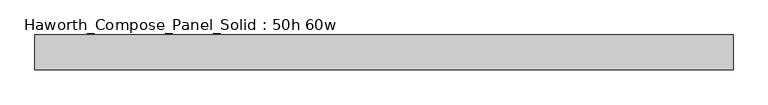
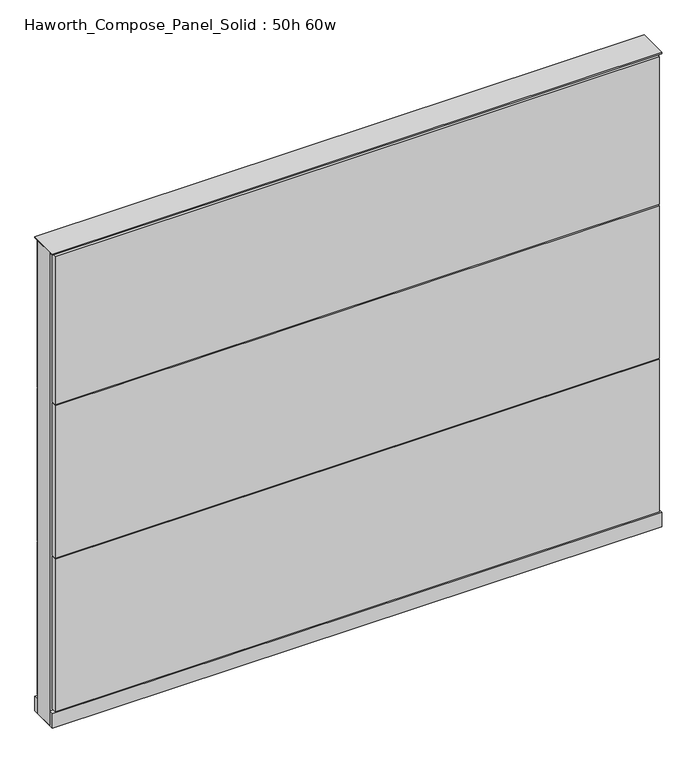
"""IFC4 building model written with IfcOpenShell, lengths in millimetres: furniture geometry, Haworth_Compose_Panel_Solid : 50h 60w."""

from ifc_helpers import new_model, si_unit, point, frame, frame_2d, origin, origin_with_axes, place, context, project, spatial, polyline, circle_curve, trimmed, segment, composite_curve, outline, extrude, source, transform, mapped, element, save


def haworth_compose_panel_solid_50h_60w_c6dc29ac(model_context):
    return source(origin(), model_context, "Body", "SweptSolid", [
        extrude(outline(composite_curve([segment(trimmed(circle_curve(frame_2d((-683.3597098, 0.0)), 12.7), [point((-696.0597098, 0.0))], [point((-670.6597098, 0.0))], False, "CARTESIAN"), True, "CONTINUOUS"), segment(trimmed(circle_curve(frame_2d((-683.3597098, 0.0)), 12.7), [point((-670.6597098, 0.0))], [point((-696.0597098, 0.0))], False, "CARTESIAN"), True, "CONTINUOUS")], self_intersect=False)), origin_with_axes(), (0.0, 0.0, 1.0), 12.7),
        extrude(outline(composite_curve([segment(trimmed(circle_curve(frame_2d((688.2402902, 0.0)), 12.7), [point((675.5402902, 0.0))], [point((700.9402902, 0.0))], False, "CARTESIAN"), True, "CONTINUOUS"), segment(trimmed(circle_curve(frame_2d((688.2402902, 0.0)), 12.7), [point((700.9402902, 0.0))], [point((675.5402902, 0.0))], False, "CARTESIAN"), True, "CONTINUOUS")], self_intersect=False)), origin_with_axes(), (0.0, 0.0, 1.0), 12.7),
        extrude(outline(polyline([(758.0902902, 38.1), (758.0902902, 25.4), (-753.2097098, 25.4), (-753.2097098, 38.1), (758.0902902, 38.1)])), frame((0.0, 0.0, 866.775), z_axis=(0.0, 0.0, 1.0), x_axis=(1.0, 0.0, 0.0)), (0.0, 0.0, 1.0), 390.525),
        extrude(outline(polyline([(758.0902902, 38.1), (758.0902902, 25.4), (-753.2097098, 25.4), (-753.2097098, 38.1), (758.0902902, 38.1)])), frame((0.0, 0.0, 460.375), z_axis=(0.0, 0.0, 1.0), x_axis=(1.0, 0.0, 0.0)), (0.0, 0.0, 1.0), 403.225),
        extrude(outline(polyline([(758.0902902, 38.1), (758.0902902, 25.4), (-753.2097098, 25.4), (-753.2097098, 38.1), (758.0902902, 38.1)])), frame((0.0, 0.0, 53.975), z_axis=(0.0, 0.0, 1.0), x_axis=(1.0, 0.0, 0.0)), (0.0, 0.0, 1.0), 403.225),
        extrude(outline(polyline([(758.0902902, -38.1), (-753.2097098, -38.1), (-753.2097098, -25.4), (758.0902902, -25.4), (758.0902902, -38.1)])), frame((0.0, 0.0, 866.775), z_axis=(0.0, 0.0, 1.0), x_axis=(1.0, 0.0, 0.0)), (0.0, 0.0, 1.0), 390.525),
        extrude(outline(polyline([(758.0902902, -38.1), (-753.2097098, -38.1), (-753.2097098, -25.4), (758.0902902, -25.4), (758.0902902, -38.1)])), frame((0.0, 0.0, 460.375), z_axis=(0.0, 0.0, 1.0), x_axis=(1.0, 0.0, 0.0)), (0.0, 0.0, 1.0), 403.225),
        extrude(outline(polyline([(758.0902902, -38.1), (-753.2097098, -38.1), (-753.2097098, -25.4), (758.0902902, -25.4), (758.0902902, -38.1)])), frame((0.0, 0.0, 53.975), z_axis=(0.0, 0.0, 1.0), x_axis=(1.0, 0.0, 0.0)), (0.0, 0.0, 1.0), 403.225),
        extrude(outline(polyline([(764.4402902, 25.4), (764.4402902, -25.4), (-759.5597098, -25.4), (-759.5597098, 25.4), (764.4402902, 25.4)])), frame((0.0, 0.0, 12.7), z_axis=(0.0, 0.0, 1.0), x_axis=(1.0, 0.0, 0.0)), (0.0, 0.0, 1.0), 1250.95),
        extrude(outline(polyline([(-759.5597098, -38.1), (-759.5597098, 38.1), (764.4402902, 38.1), (764.4402902, -38.1), (-759.5597098, -38.1)])), frame((0.0, 0.0, 12.7), z_axis=(0.0, 0.0, 1.0), x_axis=(1.0, 0.0, 0.0)), (0.0, 0.0, 1.0), 38.1),
        extrude(outline(polyline([(-759.5597098, -38.1), (-759.5597098, 38.1), (764.4402902, 38.1), (764.4402902, -38.1), (-759.5597098, -38.1)])), frame((0.0, 0.0, 1263.65), z_axis=(0.0, 0.0, 1.0), x_axis=(1.0, 0.0, 0.0)), (0.0, 0.0, 1.0), 3.175),
    ])


if __name__ == "__main__":
    model = new_model("IFC4")
    model_context = context("Model", 3, world=origin())
    ifc_project = project(units=[si_unit("LENGTHUNIT", "METRE", prefix="MILLI")], contexts=[model_context])
    site = spatial("IfcSite", under=ifc_project)
    building = spatial("IfcBuilding", under=site)
    placement = place(None, origin())
    haworth_compose_panel_solid_50h_60w_shape = haworth_compose_panel_solid_50h_60w_c6dc29ac(model_context)
    element("IfcFurniture", 1, ObjectType="Haworth_Compose_Panel_Solid : 50h 60w", at=placement, inside=building, context=model_context, shape_type="MappedRepresentation", body=[
        mapped(haworth_compose_panel_solid_50h_60w_shape, transform((0.0, 0.0, 0.0), x_axis=(1.0, 0.0, 0.0), y_axis=(0.0, 1.0, 0.0), z_axis=(0.0, 0.0, 1.0))),
    ])
    save(model, "model.ifc")
